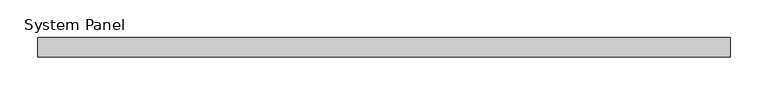
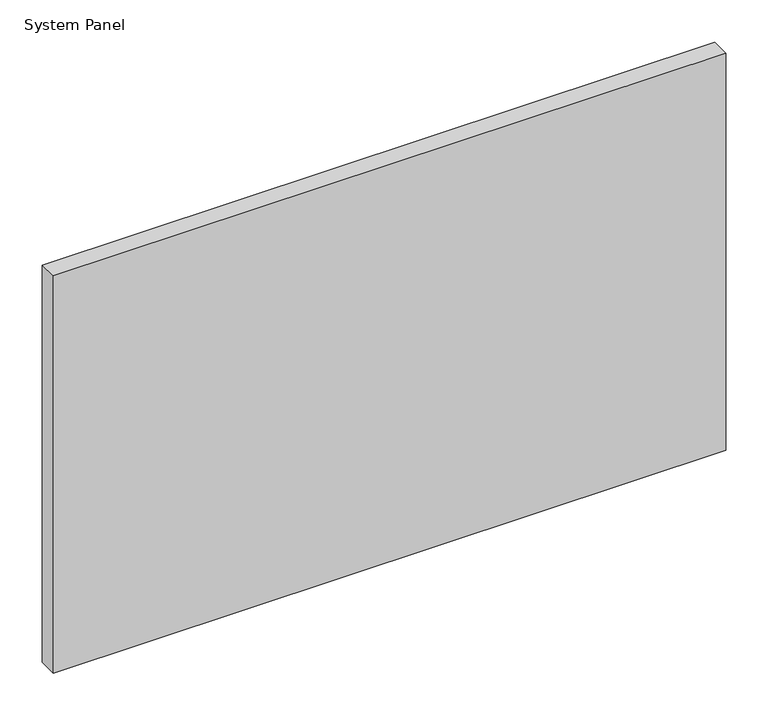
"""IFC4 building model written with IfcOpenShell, lengths in millimetres: plate geometry, System Panel."""

from ifc_helpers import new_model, si_unit, origin, origin_with_axes, place, context, project, spatial, polyline, outline, extrude, source, transform, mapped, element, save


def system_panel_65a2b2dd(model_context):
    return source(origin(), model_context, "Body", "SweptSolid", [
        extrude(outline(polyline([(457.2000002, 19.05), (-457.2000002, 19.05), (-457.2000002, 44.45), (457.2000002, 44.45), (457.2000002, 19.05)])), origin_with_axes(), (0.0, 0.0, 1.0), 571.3260192),
    ])


if __name__ == "__main__":
    model = new_model("IFC4")
    model_context = context("Model", 3, world=origin())
    ifc_project = project(units=[si_unit("LENGTHUNIT", "METRE", prefix="MILLI")], contexts=[model_context])
    site = spatial("IfcSite", under=ifc_project)
    building = spatial("IfcBuilding", under=site)
    placement = place(None, origin())
    system_panel_shape = system_panel_65a2b2dd(model_context)
    element("IfcPlate", 1, ObjectType="System Panel", at=placement, inside=building, context=model_context, shape_type="MappedRepresentation", body=[
        mapped(system_panel_shape, transform((0.0, 0.0, 0.0), x_axis=(1.0, 0.0, 0.0), y_axis=(0.0, 1.0, 0.0), z_axis=(0.0, 0.0, 1.0))),
    ])
    save(model, "model.ifc")
